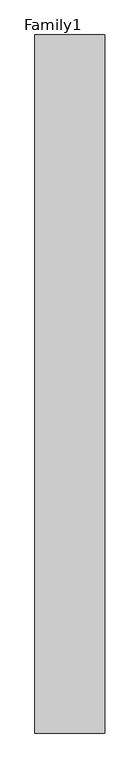
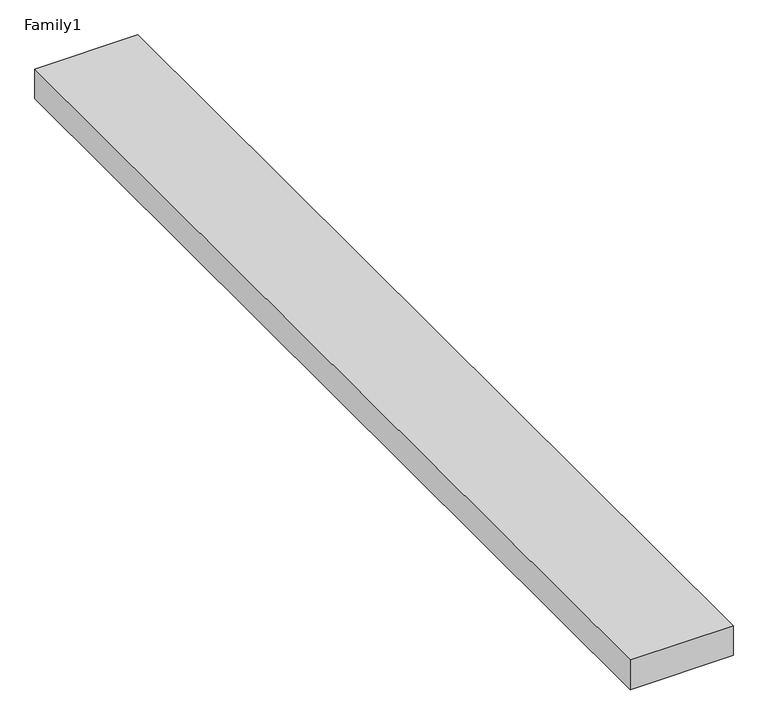
"""IFC4 building model written with IfcOpenShell, lengths in millimetres: proxy geometry, Family1."""

from ifc_helpers import new_model, si_unit, origin, origin_with_axes, place, context, project, spatial, polyline, outline, extrude, source, transform, mapped, element, save


def family1_6e480913(model_context):
    return source(origin(), model_context, "Body", "SweptSolid", [
        extrude(outline(polyline([(5000.0, 0.0), (0.0, 0.0), (0.0, 50000.0), (5000.0, 50000.0), (5000.0, 0.0)])), origin_with_axes(), (0.0, 0.0, 1.0), 1532.0),
    ])


if __name__ == "__main__":
    model = new_model("IFC4")
    model_context = context("Model", 3, world=origin())
    ifc_project = project(units=[si_unit("LENGTHUNIT", "METRE", prefix="MILLI")], contexts=[model_context])
    site = spatial("IfcSite", under=ifc_project)
    building = spatial("IfcBuilding", under=site)
    placement = place(None, origin())
    family1_shape = family1_6e480913(model_context)
    element("IfcBuildingElementProxy", 1, Name="Family1", ObjectType="Family1", at=placement, inside=building, context=model_context, shape_type="MappedRepresentation", body=[
        mapped(family1_shape, transform((0.0, 0.0, 0.0), x_axis=(1.0, 0.0, 0.0), y_axis=(0.0, 1.0, 0.0), z_axis=(0.0, 0.0, 1.0))),
    ])
    save(model, "model.ifc")
